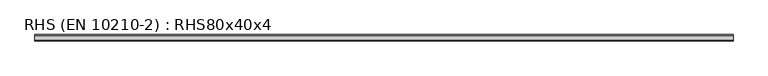
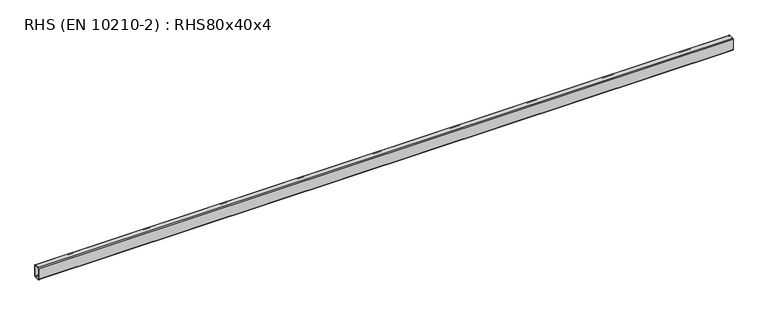
"""IFC4 building model written with IfcOpenShell, lengths in millimetres: beam geometry, RHS (EN 10210-2) : RHS80x40x4."""

from ifc_helpers import new_model, si_unit, point, frame, frame_2d, origin, place, context, project, spatial, polyline, circle_curve, trimmed, segment, composite_curve, outline, extrude, source, transform, mapped, element, save


def rhs_en_10210_2_rhs80x40x4_c6fdf3f7(model_context):
    return source(origin(), model_context, "Body", "SweptSolid", [
        extrude(outline(composite_curve([segment(polyline([(20.0, 34.0), (20.0, -34.0)]), True, "CONTINUOUS"), segment(trimmed(circle_curve(frame_2d((14.0, -34.0)), 6.0), [point((20.0, -34.0))], [point((14.0, -40.0))], False, "CARTESIAN"), True, "CONTINUOUS"), segment(polyline([(14.0, -40.0), (-14.0, -40.0)]), True, "CONTINUOUS"), segment(trimmed(circle_curve(frame_2d((-14.0, -34.0)), 6.0), [point((-14.0, -40.0))], [point((-20.0, -34.0))], False, "CARTESIAN"), True, "CONTINUOUS"), segment(polyline([(-20.0, -34.0), (-20.0, 34.0)]), True, "CONTINUOUS"), segment(trimmed(circle_curve(frame_2d((-14.0, 34.0)), 6.0), [point((-20.0, 34.0))], [point((-14.0, 40.0))], False, "CARTESIAN"), True, "CONTINUOUS"), segment(polyline([(-14.0, 40.0), (14.0, 40.0)]), True, "CONTINUOUS"), segment(trimmed(circle_curve(frame_2d((14.0, 34.0)), 6.0), [point((14.0, 40.0))], [point((20.0, 34.0))], False, "CARTESIAN"), True, "CONTINUOUS")], self_intersect=False), holes=[composite_curve([segment(trimmed(circle_curve(frame_2d((-12.0, 32.0)), 4.0), [point((-12.0, 36.0))], [point((-16.0, 32.0))], True, "CARTESIAN"), True, "CONTINUOUS"), segment(polyline([(-16.0, 32.0), (-16.0, -32.0)]), True, "CONTINUOUS"), segment(trimmed(circle_curve(frame_2d((-12.0, -32.0)), 4.0), [point((-16.0, -32.0))], [point((-12.0, -36.0))], True, "CARTESIAN"), True, "CONTINUOUS"), segment(polyline([(-12.0, -36.0), (12.0, -36.0)]), True, "CONTINUOUS"), segment(trimmed(circle_curve(frame_2d((12.0, -32.0)), 4.0), [point((12.0, -36.0))], [point((16.0, -32.0))], True, "CARTESIAN"), True, "CONTINUOUS"), segment(polyline([(16.0, -32.0), (16.0, 32.0)]), True, "CONTINUOUS"), segment(trimmed(circle_curve(frame_2d((12.0, 32.0)), 4.0), [point((16.0, 32.0))], [point((12.0, 36.0))], True, "CARTESIAN"), True, "CONTINUOUS"), segment(polyline([(12.0, 36.0), (-12.0, 36.0)]), True, "CONTINUOUS")], self_intersect=False)]), frame((-2263.05, 0.0, 0.0), z_axis=(1.0, 0.0, 0.0), x_axis=(0.0, 1.0, 0.0)), (0.0, 0.0, 1.0), 4376.3),
    ])


if __name__ == "__main__":
    model = new_model("IFC4")
    model_context = context("Model", 3, world=origin())
    ifc_project = project(units=[si_unit("LENGTHUNIT", "METRE", prefix="MILLI")], contexts=[model_context])
    site = spatial("IfcSite", under=ifc_project)
    building = spatial("IfcBuilding", under=site)
    placement = place(None, origin())
    rhs_en_10210_2_rhs80x40x4_shape = rhs_en_10210_2_rhs80x40x4_c6fdf3f7(model_context)
    element("IfcBeam", 1, ObjectType="RHS (EN 10210-2) : RHS80x40x4", at=placement, inside=building, context=model_context, shape_type="MappedRepresentation", body=[
        mapped(rhs_en_10210_2_rhs80x40x4_shape, transform((0.0, 0.0, 0.0), x_axis=(1.0, 0.0, 0.0), y_axis=(0.0, 1.0, 0.0), z_axis=(0.0, 0.0, 1.0))),
    ])
    save(model, "model.ifc")
